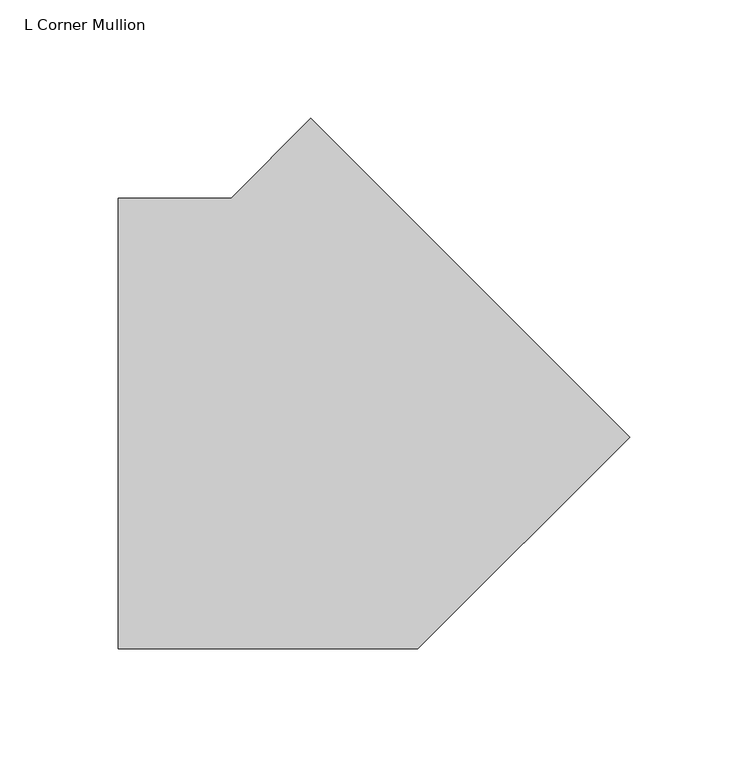
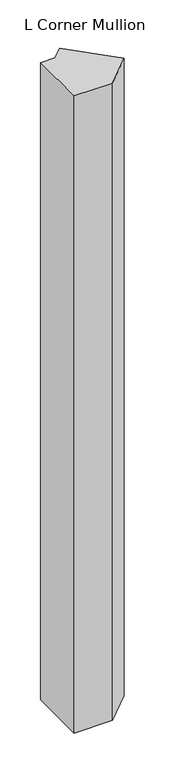
"""IFC4 building model written with IfcOpenShell, lengths in millimetres: member geometry, L Corner Mullion."""

import ifcopenshell
import ifcopenshell.guid

model = None  # the IFC model being written
_history = None  # IfcOwnerHistory: only IFC2X3 demands one
_inside = {}  # id of a spatial element -> (the spatial element, [elements in it])
_under = {}  # id of a project, library or spatial element -> (it, [spatial elements below it])
_declared = {}  # id of a project -> (the project, [libraries it declares])
_typed = {}  # id of a type object -> (the type object, [elements of that type])
_made_of = {}  # id of a material, layer set ... -> (it, [elements and type objects made of it])


def new_model(schema):
    """Start an empty IFC model of exactly this schema.

    Asked for "IFC4X3", IfcOpenShell would pick the latest addendum, in which some entities
    have other attributes; the version numbers below select the first issue.
    IFC2X3 requires an IfcOwnerHistory on every rooted entity: one is made here for all.
    """
    global model, _history
    if schema == "IFC4X3":
        model = ifcopenshell.file(schema_version=(4, 3, 0, 0))
    else:
        model = ifcopenshell.file(schema=schema)
    _inside.clear()
    _under.clear()
    _declared.clear()
    _typed.clear()
    _made_of.clear()
    _history = None
    if model.schema == "IFC2X3":
        org = make("IfcOrganization", Name="unknown")
        user = make(
            "IfcPersonAndOrganization",
            ThePerson=make("IfcPerson", FamilyName="unknown"),
            TheOrganization=org,
        )
        app = make(
            "IfcApplication",
            ApplicationDeveloper=org,
            Version="unknown",
            ApplicationFullName="unknown",
            ApplicationIdentifier="unknown",
        )
        _history = make(
            "IfcOwnerHistory",
            OwningUser=user,
            OwningApplication=app,
            ChangeAction="ADDED",
            CreationDate=0,
        )
    return model


def make(cls, **values):
    """One entity of the class cls with the attributes given. An attribute that is None is left unset."""
    return model.create_entity(
        cls, **{name: value for name, value in values.items() if value is not None}
    )


def rooted(cls, **values):
    """An entity with a GlobalId (a new one), such as an element, a storey or a relation."""
    return make(cls, GlobalId=ifcopenshell.guid.new(), OwnerHistory=_history, **values)


def si_unit(unit_type, name, prefix=None):
    """IfcSIUnit, for example si_unit("LENGTHUNIT", "METRE", prefix="MILLI")."""
    return make("IfcSIUnit", UnitType=unit_type, Prefix=prefix, Name=name)


def assignment(units):
    """IfcUnitAssignment: the units of a project."""
    return None if units is None else make("IfcUnitAssignment", Units=units)


def point(xyz):
    """IfcCartesianPoint."""
    return None if xyz is None else make("IfcCartesianPoint", Coordinates=xyz)


def direction(xyz):
    """IfcDirection."""
    return None if xyz is None else make("IfcDirection", DirectionRatios=xyz)


def frame(location, z_axis=None, x_axis=None):
    """IfcAxis2Placement3D, a coordinate frame: its origin and axes. An axis left out is left unset."""
    return make(
        "IfcAxis2Placement3D",
        Location=point(location),
        Axis=direction(z_axis),
        RefDirection=direction(x_axis),
    )


def origin():
    """The frame at (0, 0, 0) with its axes left unset."""
    return frame((0.0, 0.0, 0.0))


def place(relative_to, where):
    """IfcLocalPlacement: puts the frame where relative to a parent placement (None: the world)."""
    return make(
        "IfcLocalPlacement", PlacementRelTo=relative_to, RelativePlacement=where
    )


def context(
    kind, dimensions, precision=None, world=None, true_north=None, identifier=None
):
    """IfcGeometricRepresentationContext, for example the 3D "Model" context."""
    return make(
        "IfcGeometricRepresentationContext",
        ContextIdentifier=identifier,
        ContextType=kind,
        CoordinateSpaceDimension=dimensions,
        Precision=precision,
        WorldCoordinateSystem=world,
        TrueNorth=true_north,
    )


def project(units=None, contexts=None):
    """IfcProject with its units and contexts."""
    return rooted(
        "IfcProject",
        Name="project",
        RepresentationContexts=contexts,
        UnitsInContext=assignment(units),
    )


def spatial(cls, under=None, at=None, **own):
    """A site, building, storey or space (cls), placed at a placement, below another one or the project."""
    s = rooted(cls, ObjectPlacement=at, **own)
    if under is not None:
        _under.setdefault(under.id(), (under, []))[1].append(s)
    return s


def polyline(points):
    """IfcPolyline through the points."""
    return make("IfcPolyline", Points=[point(p) for p in points])


def outline(outer, holes=None, kind="AREA"):
    """IfcArbitraryClosedProfileDef: a profile drawn as a closed curve; with holes, ...WithVoids."""
    if holes is None:
        return make("IfcArbitraryClosedProfileDef", ProfileType=kind, OuterCurve=outer)
    return make(
        "IfcArbitraryProfileDefWithVoids",
        ProfileType=kind,
        OuterCurve=outer,
        InnerCurves=holes,
    )


def extrude(swept, where, along, depth):
    """IfcExtrudedAreaSolid: the profile swept, set in the frame where, extruded along a direction by depth."""
    return make(
        "IfcExtrudedAreaSolid",
        SweptArea=swept,
        Position=where,
        ExtrudedDirection=direction(along),
        Depth=depth,
    )


def shape(context_of_items, identifier, shape_type, items):
    """IfcShapeRepresentation: the items that make up one representation, for example the "Body"."""
    return make(
        "IfcShapeRepresentation",
        ContextOfItems=context_of_items,
        RepresentationIdentifier=identifier,
        RepresentationType=shape_type,
        Items=items,
    )


def source(mapping_origin, context_of_items, identifier, shape_type, items):
    """IfcRepresentationMap: a shape defined once, which mapped items show again and again."""
    return make(
        "IfcRepresentationMap",
        MappingOrigin=mapping_origin,
        MappedRepresentation=shape(context_of_items, identifier, shape_type, items),
    )


def transform(
    local_origin,
    x_axis=None,
    y_axis=None,
    z_axis=None,
    scale=None,
    scale2=None,
    scale3=None,
    uniform=True,
):
    """IfcCartesianTransformationOperator3D, or its non-uniform kind. x_axis, y_axis, z_axis: its Axis1, 2, 3."""
    if uniform:
        return make(
            "IfcCartesianTransformationOperator3D",
            Axis1=direction(x_axis),
            Axis2=direction(y_axis),
            LocalOrigin=point(local_origin),
            Scale=scale,
            Axis3=direction(z_axis),
        )
    return make(
        "IfcCartesianTransformationOperator3DnonUniform",
        Axis1=direction(x_axis),
        Axis2=direction(y_axis),
        LocalOrigin=point(local_origin),
        Scale=scale,
        Axis3=direction(z_axis),
        Scale2=scale2,
        Scale3=scale3,
    )


def mapped(mapping_source, mapping_target):
    """IfcMappedItem: shows the shape of a source again, moved by a transform."""
    return make(
        "IfcMappedItem", MappingSource=mapping_source, MappingTarget=mapping_target
    )


def made_of(thing, what):
    """Note that an element or type object is made of a material, layer set ...; save() writes the relation."""
    if what is not None:
        _made_of.setdefault(what.id(), (what, []))[1].append(thing)
    return thing


def element(
    cls,
    number,
    at=None,
    inside=None,
    cuts=None,
    type_object=None,
    material=None,
    context=None,
    identifier="Body",
    shape_type=None,
    held_by="IfcProductDefinitionShape",
    body=None,
    shapes=None,
    **own,
):
    """One element of the class cls, such as IfcWall. Its Tag is "e" and its number.

    at: its placement. inside: the storey or other place that contains it. cuts: it is an
    opening in that element (IfcRelVoidsElement). A single representation is given by context,
    identifier, shape_type and body (its items); several are given by shapes. held_by: the class
    of the entity that holds the representations. save() writes the other relations.
    """
    e = rooted(cls, Tag="e%d" % number, ObjectPlacement=at, **own)
    if body is not None:
        shapes = [shape(context, identifier, shape_type, body)]
    if shapes is not None:
        e.Representation = make(held_by, Representations=shapes)
    if inside is not None:
        _inside.setdefault(inside.id(), (inside, []))[1].append(e)
    if cuts is not None:
        rooted(
            "IfcRelVoidsElement", RelatingBuildingElement=cuts, RelatedOpeningElement=e
        )
    if type_object is not None:
        _typed.setdefault(type_object.id(), (type_object, []))[1].append(e)
    return made_of(e, material)


def aggregate(whole, parts):
    """IfcRelAggregates: a whole, such as a stair, and the parts it consists of."""
    return rooted("IfcRelAggregates", RelatingObject=whole, RelatedObjects=parts)


def save(model, path):
    """Write the relations noted so far, then the file.

    IfcRelAggregates (storeys below a building ...), IfcRelContainedInSpatialStructure (elements
    in a storey), IfcRelDefinesByType, IfcRelAssociatesMaterial and IfcRelDeclares: one each for
    every whole, place, type object, material and project.
    """
    for whole, parts in _under.values():
        aggregate(whole, parts)
    for where, things in _inside.values():
        rooted(
            "IfcRelContainedInSpatialStructure",
            RelatedElements=things,
            RelatingStructure=where,
        )
    for kind, things in _typed.values():
        rooted("IfcRelDefinesByType", RelatedObjects=things, RelatingType=kind)
    for what, things in _made_of.values():
        rooted("IfcRelAssociatesMaterial", RelatedObjects=things, RelatingMaterial=what)
    for by, libraries in _declared.values():
        rooted("IfcRelDeclares", RelatingContext=by, RelatedDefinitions=libraries)
    model.write(path)


def l_corner_mullion_acc908ac(model_context):
    return source(origin(), model_context, "Body", "SweptSolid", [
        extrude(outline(polyline([(105.2785601, 51.3970234), (15.7815367, -38.1), (-110.7863676, -38.1), (-110.7863676, 152.4), (-63.1261469, 152.4), (-29.4252817, 186.1008652), (105.2785601, 51.3970234)])), frame((0.0, 0.0, -2212.5077323), z_axis=(0.0, 0.0, 1.0), x_axis=(1.0, 0.0, 0.0)), (0.0, 0.0, 1.0), 2212.5077323),
    ])


if __name__ == "__main__":
    model = new_model("IFC4")
    model_context = context("Model", 3, world=origin())
    ifc_project = project(units=[si_unit("LENGTHUNIT", "METRE", prefix="MILLI")], contexts=[model_context])
    site = spatial("IfcSite", under=ifc_project)
    building = spatial("IfcBuilding", under=site)
    placement = place(None, origin())
    l_corner_mullion_shape = l_corner_mullion_acc908ac(model_context)
    element("IfcMember", 1, ObjectType="L Corner Mullion", at=placement, inside=building, context=model_context, shape_type="MappedRepresentation", body=[
        mapped(l_corner_mullion_shape, transform((0.0, 0.0, 0.0), x_axis=(1.0, 0.0, 0.0), y_axis=(0.0, 1.0, 0.0), z_axis=(0.0, 0.0, 1.0))),
    ])
    save(model, "model.ifc")
